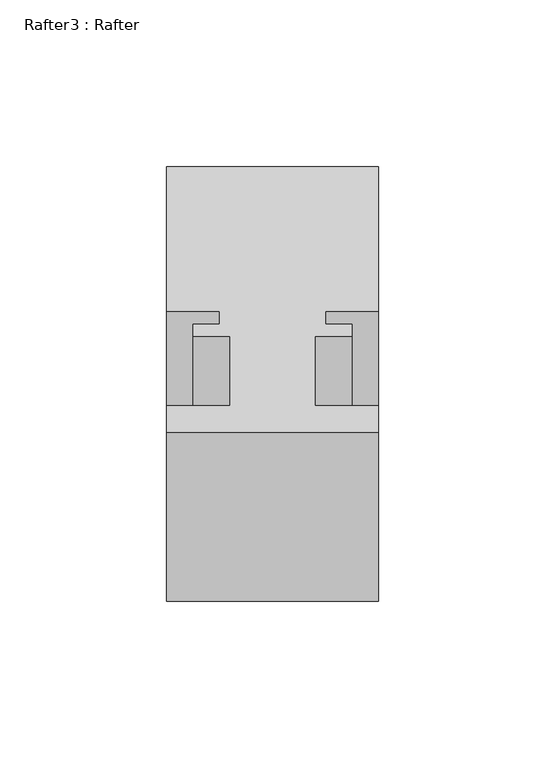
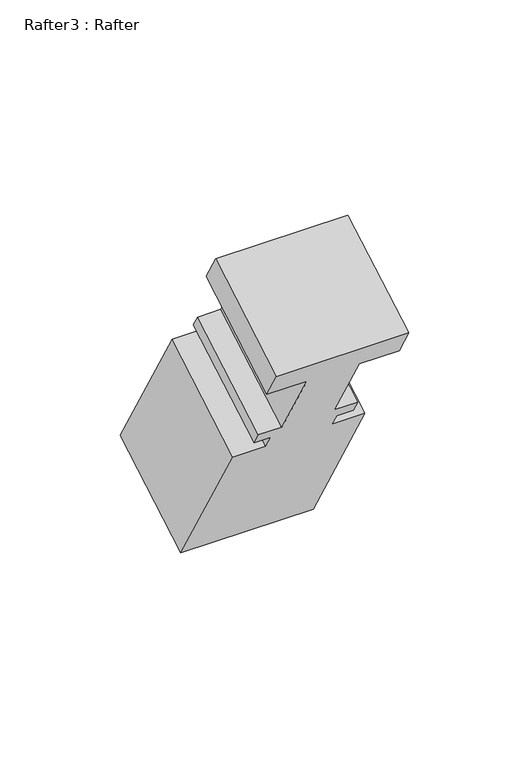
"""IFC4 building model written with IfcOpenShell, lengths in millimetres: proxy geometry, Rafter3 : Rafter."""

from ifc_helpers import new_model, si_unit, frame, origin, place, context, project, spatial, polyline, outline, extrude, source, transform, mapped, element, save


def rafter3_rafter_ee48b13f(model_context):
    return source(origin(), model_context, "Body", "SweptSolid", [
        extrude(outline(polyline([(63.5, 0.0), (63.5, -15.8691296), (44.45, -15.8691296), (44.45, -57.531), (55.5752, -57.531), (55.5752, -64.6938), (47.625, -64.6938), (47.625, -72.5932001), (63.5, -72.5932001), (63.5, -159.1310001), (0.0, -159.1310001), (0.0, -72.5932001), (15.875, -72.5932001), (15.875, -64.6938), (7.9248, -64.6938), (7.9248, -57.531), (19.05, -57.531), (19.05, -15.8902734), (0.0, -15.8902734), (0.0, 0.0), (63.5, 0.0)])), frame((10178.2526877, -20356.6901613, 1263.2536414), z_axis=(0.0, 0.8660254037844398, 0.499999999999998), x_axis=(-1.0, 0.0, 0.0)), (0.0, 0.0, 1.0), 58.4547221),
    ])


if __name__ == "__main__":
    model = new_model("IFC4")
    model_context = context("Model", 3, world=origin())
    ifc_project = project(units=[si_unit("LENGTHUNIT", "METRE", prefix="MILLI")], contexts=[model_context])
    site = spatial("IfcSite", under=ifc_project)
    building = spatial("IfcBuilding", under=site)
    placement = place(None, origin())
    rafter3_rafter_shape = rafter3_rafter_ee48b13f(model_context)
    element("IfcBuildingElementProxy", 1, Name="Rafter3 : Rafter", ObjectType="Rafter3 : Rafter", at=placement, inside=building, context=model_context, shape_type="MappedRepresentation", body=[
        mapped(rafter3_rafter_shape, transform((0.0, 0.0, 0.0), x_axis=(1.0, 0.0, 0.0), y_axis=(0.0, 1.0, 0.0), z_axis=(0.0, 0.0, 1.0))),
    ])
    save(model, "model.ifc")
